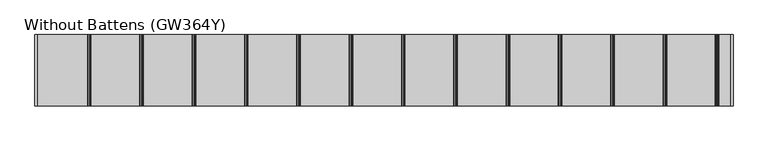
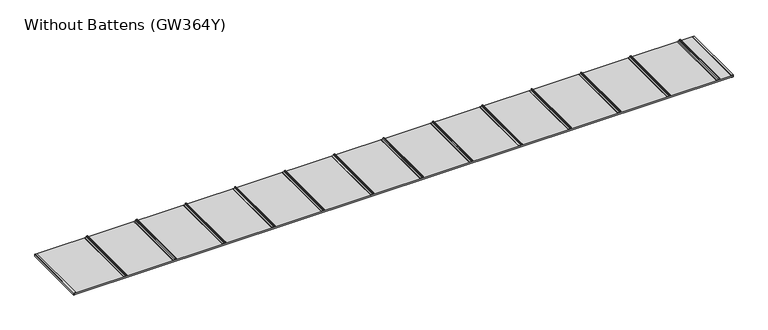
"""IFC4 building model written with IfcOpenShell, lengths in millimetres: proxy geometry, Without Battens (GW364Y)."""

from ifc_helpers import new_model, si_unit, point, frame, frame_2d, origin, origin_with_axes, place, context, project, spatial, polyline, circle_curve, trimmed, segment, composite_curve, outline, extrude, source, transform, mapped, element, save


def without_battens_gw364y_acbb2123(model_context):
    return source(origin(), model_context, "Body", "SweptSolid", [
        extrude(outline(composite_curve([segment(trimmed(circle_curve(frame_2d((22.9683907, 5873.75)), 6.25), [point((27.8614305, 5869.8614704))], [point((20.2402402, 5868.1268608))], False, "CARTESIAN"), True, "CONTINUOUS"), segment(trimmed(circle_curve(frame_2d((19.3468026, 5866.2853478)), 2.0468026), [point((20.2402402, 5868.1268608))], [point((17.3, 5866.2853478))], True, "CARTESIAN"), True, "CONTINUOUS"), segment(polyline([(17.3, 5866.2853478), (17.3, 5851.5)]), True, "CONTINUOUS"), segment(trimmed(circle_curve(frame_2d((15.8, 5851.5)), 1.5), [point((17.3, 5851.5))], [point((15.8, 5850.0))], False, "CARTESIAN"), True, "CONTINUOUS"), segment(polyline([(15.8, 5850.0), (15.0, 5850.0), (15.0, 5871.9783691)]), True, "CONTINUOUS"), segment(trimmed(circle_curve(frame_2d((24.084859, 5871.098018)), 9.1274138), [point((15.0, 5871.9783691))], [point((20.5433217, 5879.510342))], False, "CARTESIAN"), True, "CONTINUOUS"), segment(trimmed(circle_curve(frame_2d((22.9683907, 5873.75)), 6.25), [point((20.5433217, 5879.510342))], [point((27.8614305, 5877.6385296))], False, "CARTESIAN"), True, "CONTINUOUS"), segment(trimmed(circle_curve(frame_2d((27.2653483, 5877.1648193)), 0.7613904), [point((27.8614305, 5877.6385296))], [point((26.7916381, 5876.5687372))], False, "CARTESIAN"), True, "CONTINUOUS"), segment(trimmed(circle_curve(frame_2d((22.9683907, 5873.75)), 4.75), [point((26.7916381, 5876.5687372))], [point((26.7916381, 5870.9312628))], True, "CARTESIAN"), True, "CONTINUOUS"), segment(trimmed(circle_curve(frame_2d((27.2653483, 5870.3351807)), 0.7613904), [point((26.7916381, 5870.9312628))], [point((27.8614305, 5869.8614704))], False, "CARTESIAN"), True, "CONTINUOUS")], self_intersect=False)), frame((0.0, -615.0, 0.0), z_axis=(0.0, 1.0, 0.0), x_axis=(0.0, 0.0, 1.0)), (0.0, 0.0, 1.0), 615.0),
        extrude(outline(composite_curve([segment(trimmed(circle_curve(frame_2d((22.9683907, 5423.75)), 6.25), [point((27.8614305, 5419.8614704))], [point((20.2402402, 5418.1268608))], False, "CARTESIAN"), True, "CONTINUOUS"), segment(trimmed(circle_curve(frame_2d((19.3468026, 5416.2853478)), 2.0468026), [point((20.2402402, 5418.1268608))], [point((17.3, 5416.2853478))], True, "CARTESIAN"), True, "CONTINUOUS"), segment(polyline([(17.3, 5416.2853478), (17.3, 5401.5)]), True, "CONTINUOUS"), segment(trimmed(circle_curve(frame_2d((15.8, 5401.5)), 1.5), [point((17.3, 5401.5))], [point((15.8, 5400.0))], False, "CARTESIAN"), True, "CONTINUOUS"), segment(polyline([(15.8, 5400.0), (15.0, 5400.0), (15.0, 5421.9783691)]), True, "CONTINUOUS"), segment(trimmed(circle_curve(frame_2d((24.084859, 5421.098018)), 9.1274138), [point((15.0, 5421.9783691))], [point((20.5433217, 5429.510342))], False, "CARTESIAN"), True, "CONTINUOUS"), segment(trimmed(circle_curve(frame_2d((22.9683907, 5423.75)), 6.25), [point((20.5433217, 5429.510342))], [point((27.8614305, 5427.6385296))], False, "CARTESIAN"), True, "CONTINUOUS"), segment(trimmed(circle_curve(frame_2d((27.2653483, 5427.1648193)), 0.7613904), [point((27.8614305, 5427.6385296))], [point((26.7916381, 5426.5687372))], False, "CARTESIAN"), True, "CONTINUOUS"), segment(trimmed(circle_curve(frame_2d((22.9683907, 5423.75)), 4.75), [point((26.7916381, 5426.5687372))], [point((26.7916381, 5420.9312628))], True, "CARTESIAN"), True, "CONTINUOUS"), segment(trimmed(circle_curve(frame_2d((27.2653483, 5420.3351807)), 0.7613904), [point((26.7916381, 5420.9312628))], [point((27.8614305, 5419.8614704))], False, "CARTESIAN"), True, "CONTINUOUS")], self_intersect=False)), frame((0.0, -615.0, 0.0), z_axis=(0.0, 1.0, 0.0), x_axis=(0.0, 0.0, 1.0)), (0.0, 0.0, 1.0), 615.0),
        extrude(outline(composite_curve([segment(trimmed(circle_curve(frame_2d((22.9683907, 4973.75)), 6.25), [point((27.8614305, 4969.8614704))], [point((20.2402402, 4968.1268608))], False, "CARTESIAN"), True, "CONTINUOUS"), segment(trimmed(circle_curve(frame_2d((19.3468026, 4966.2853478)), 2.0468026), [point((20.2402402, 4968.1268608))], [point((17.3, 4966.2853478))], True, "CARTESIAN"), True, "CONTINUOUS"), segment(polyline([(17.3, 4966.2853478), (17.3, 4951.5)]), True, "CONTINUOUS"), segment(trimmed(circle_curve(frame_2d((15.8, 4951.5)), 1.5), [point((17.3, 4951.5))], [point((15.8, 4950.0))], False, "CARTESIAN"), True, "CONTINUOUS"), segment(polyline([(15.8, 4950.0), (15.0, 4950.0), (15.0, 4971.9783691)]), True, "CONTINUOUS"), segment(trimmed(circle_curve(frame_2d((24.084859, 4971.098018)), 9.1274138), [point((15.0, 4971.9783691))], [point((20.5433217, 4979.510342))], False, "CARTESIAN"), True, "CONTINUOUS"), segment(trimmed(circle_curve(frame_2d((22.9683907, 4973.75)), 6.25), [point((20.5433217, 4979.510342))], [point((27.8614305, 4977.6385296))], False, "CARTESIAN"), True, "CONTINUOUS"), segment(trimmed(circle_curve(frame_2d((27.2653483, 4977.1648193)), 0.7613904), [point((27.8614305, 4977.6385296))], [point((26.7916381, 4976.5687372))], False, "CARTESIAN"), True, "CONTINUOUS"), segment(trimmed(circle_curve(frame_2d((22.9683907, 4973.75)), 4.75), [point((26.7916381, 4976.5687372))], [point((26.7916381, 4970.9312628))], True, "CARTESIAN"), True, "CONTINUOUS"), segment(trimmed(circle_curve(frame_2d((27.2653483, 4970.3351807)), 0.7613904), [point((26.7916381, 4970.9312628))], [point((27.8614305, 4969.8614704))], False, "CARTESIAN"), True, "CONTINUOUS")], self_intersect=False)), frame((0.0, -615.0, 0.0), z_axis=(0.0, 1.0, 0.0), x_axis=(0.0, 0.0, 1.0)), (0.0, 0.0, 1.0), 615.0),
        extrude(outline(composite_curve([segment(trimmed(circle_curve(frame_2d((22.9683907, 4523.75)), 6.25), [point((27.8614305, 4519.8614704))], [point((20.2402402, 4518.1268608))], False, "CARTESIAN"), True, "CONTINUOUS"), segment(trimmed(circle_curve(frame_2d((19.3468026, 4516.2853478)), 2.0468026), [point((20.2402402, 4518.1268608))], [point((17.3, 4516.2853478))], True, "CARTESIAN"), True, "CONTINUOUS"), segment(polyline([(17.3, 4516.2853478), (17.3, 4501.5)]), True, "CONTINUOUS"), segment(trimmed(circle_curve(frame_2d((15.8, 4501.5)), 1.5), [point((17.3, 4501.5))], [point((15.8, 4500.0))], False, "CARTESIAN"), True, "CONTINUOUS"), segment(polyline([(15.8, 4500.0), (15.0, 4500.0), (15.0, 4521.9783691)]), True, "CONTINUOUS"), segment(trimmed(circle_curve(frame_2d((24.084859, 4521.098018)), 9.1274138), [point((15.0, 4521.9783691))], [point((20.5433217, 4529.510342))], False, "CARTESIAN"), True, "CONTINUOUS"), segment(trimmed(circle_curve(frame_2d((22.9683907, 4523.75)), 6.25), [point((20.5433217, 4529.510342))], [point((27.8614305, 4527.6385296))], False, "CARTESIAN"), True, "CONTINUOUS"), segment(trimmed(circle_curve(frame_2d((27.2653483, 4527.1648193)), 0.7613904), [point((27.8614305, 4527.6385296))], [point((26.7916381, 4526.5687372))], False, "CARTESIAN"), True, "CONTINUOUS"), segment(trimmed(circle_curve(frame_2d((22.9683907, 4523.75)), 4.75), [point((26.7916381, 4526.5687372))], [point((26.7916381, 4520.9312628))], True, "CARTESIAN"), True, "CONTINUOUS"), segment(trimmed(circle_curve(frame_2d((27.2653483, 4520.3351807)), 0.7613904), [point((26.7916381, 4520.9312628))], [point((27.8614305, 4519.8614704))], False, "CARTESIAN"), True, "CONTINUOUS")], self_intersect=False)), frame((0.0, -615.0, 0.0), z_axis=(0.0, 1.0, 0.0), x_axis=(0.0, 0.0, 1.0)), (0.0, 0.0, 1.0), 615.0),
        extrude(outline(composite_curve([segment(trimmed(circle_curve(frame_2d((22.9683907, 4073.75)), 6.25), [point((27.8614305, 4069.8614704))], [point((20.2402402, 4068.1268608))], False, "CARTESIAN"), True, "CONTINUOUS"), segment(trimmed(circle_curve(frame_2d((19.3468026, 4066.2853478)), 2.0468026), [point((20.2402402, 4068.1268608))], [point((17.3, 4066.2853478))], True, "CARTESIAN"), True, "CONTINUOUS"), segment(polyline([(17.3, 4066.2853478), (17.3, 4051.5)]), True, "CONTINUOUS"), segment(trimmed(circle_curve(frame_2d((15.8, 4051.5)), 1.5), [point((17.3, 4051.5))], [point((15.8, 4050.0))], False, "CARTESIAN"), True, "CONTINUOUS"), segment(polyline([(15.8, 4050.0), (15.0, 4050.0), (15.0, 4071.9783691)]), True, "CONTINUOUS"), segment(trimmed(circle_curve(frame_2d((24.084859, 4071.098018)), 9.1274138), [point((15.0, 4071.9783691))], [point((20.5433217, 4079.510342))], False, "CARTESIAN"), True, "CONTINUOUS"), segment(trimmed(circle_curve(frame_2d((22.9683907, 4073.75)), 6.25), [point((20.5433217, 4079.510342))], [point((27.8614305, 4077.6385296))], False, "CARTESIAN"), True, "CONTINUOUS"), segment(trimmed(circle_curve(frame_2d((27.2653483, 4077.1648193)), 0.7613904), [point((27.8614305, 4077.6385296))], [point((26.7916381, 4076.5687372))], False, "CARTESIAN"), True, "CONTINUOUS"), segment(trimmed(circle_curve(frame_2d((22.9683907, 4073.75)), 4.75), [point((26.7916381, 4076.5687372))], [point((26.7916381, 4070.9312628))], True, "CARTESIAN"), True, "CONTINUOUS"), segment(trimmed(circle_curve(frame_2d((27.2653483, 4070.3351807)), 0.7613904), [point((26.7916381, 4070.9312628))], [point((27.8614305, 4069.8614704))], False, "CARTESIAN"), True, "CONTINUOUS")], self_intersect=False)), frame((0.0, -615.0, 0.0), z_axis=(0.0, 1.0, 0.0), x_axis=(0.0, 0.0, 1.0)), (0.0, 0.0, 1.0), 615.0),
        extrude(outline(polyline([(6000.0, 0.0), (6000.0, -615.0), (0.0, -615.0), (0.0, 0.0), (6000.0, 0.0)])), origin_with_axes(), (0.0, 0.0, 1.0), 15.0),
        extrude(outline(composite_curve([segment(trimmed(circle_curve(frame_2d((22.9683907, 3623.75)), 6.25), [point((27.8614305, 3619.8614704))], [point((20.2402402, 3618.1268608))], False, "CARTESIAN"), True, "CONTINUOUS"), segment(trimmed(circle_curve(frame_2d((19.3468026, 3616.2853478)), 2.0468026), [point((20.2402402, 3618.1268608))], [point((17.3, 3616.2853478))], True, "CARTESIAN"), True, "CONTINUOUS"), segment(polyline([(17.3, 3616.2853478), (17.3, 3601.5)]), True, "CONTINUOUS"), segment(trimmed(circle_curve(frame_2d((15.8, 3601.5)), 1.5), [point((17.3, 3601.5))], [point((15.8, 3600.0))], False, "CARTESIAN"), True, "CONTINUOUS"), segment(polyline([(15.8, 3600.0), (15.0, 3600.0), (15.0, 3621.9783691)]), True, "CONTINUOUS"), segment(trimmed(circle_curve(frame_2d((24.084859, 3621.098018)), 9.1274138), [point((15.0, 3621.9783691))], [point((20.5433217, 3629.510342))], False, "CARTESIAN"), True, "CONTINUOUS"), segment(trimmed(circle_curve(frame_2d((22.9683907, 3623.75)), 6.25), [point((20.5433217, 3629.510342))], [point((27.8614305, 3627.6385296))], False, "CARTESIAN"), True, "CONTINUOUS"), segment(trimmed(circle_curve(frame_2d((27.2653483, 3627.1648193)), 0.7613904), [point((27.8614305, 3627.6385296))], [point((26.7916381, 3626.5687372))], False, "CARTESIAN"), True, "CONTINUOUS"), segment(trimmed(circle_curve(frame_2d((22.9683907, 3623.75)), 4.75), [point((26.7916381, 3626.5687372))], [point((26.7916381, 3620.9312628))], True, "CARTESIAN"), True, "CONTINUOUS"), segment(trimmed(circle_curve(frame_2d((27.2653483, 3620.3351807)), 0.7613904), [point((26.7916381, 3620.9312628))], [point((27.8614305, 3619.8614704))], False, "CARTESIAN"), True, "CONTINUOUS")], self_intersect=False)), frame((0.0, -615.0, 0.0), z_axis=(0.0, 1.0, 0.0), x_axis=(0.0, 0.0, 1.0)), (0.0, 0.0, 1.0), 615.0),
        extrude(outline(composite_curve([segment(trimmed(circle_curve(frame_2d((22.9683907, 3173.75)), 6.25), [point((27.8614305, 3169.8614704))], [point((20.2402402, 3168.1268608))], False, "CARTESIAN"), True, "CONTINUOUS"), segment(trimmed(circle_curve(frame_2d((19.3468026, 3166.2853478)), 2.0468026), [point((20.2402402, 3168.1268608))], [point((17.3, 3166.2853478))], True, "CARTESIAN"), True, "CONTINUOUS"), segment(polyline([(17.3, 3166.2853478), (17.3, 3151.5)]), True, "CONTINUOUS"), segment(trimmed(circle_curve(frame_2d((15.8, 3151.5)), 1.5), [point((17.3, 3151.5))], [point((15.8, 3150.0))], False, "CARTESIAN"), True, "CONTINUOUS"), segment(polyline([(15.8, 3150.0), (15.0, 3150.0), (15.0, 3171.9783691)]), True, "CONTINUOUS"), segment(trimmed(circle_curve(frame_2d((24.084859, 3171.098018)), 9.1274138), [point((15.0, 3171.9783691))], [point((20.5433217, 3179.510342))], False, "CARTESIAN"), True, "CONTINUOUS"), segment(trimmed(circle_curve(frame_2d((22.9683907, 3173.75)), 6.25), [point((20.5433217, 3179.510342))], [point((27.8614305, 3177.6385296))], False, "CARTESIAN"), True, "CONTINUOUS"), segment(trimmed(circle_curve(frame_2d((27.2653483, 3177.1648193)), 0.7613904), [point((27.8614305, 3177.6385296))], [point((26.7916381, 3176.5687372))], False, "CARTESIAN"), True, "CONTINUOUS"), segment(trimmed(circle_curve(frame_2d((22.9683907, 3173.75)), 4.75), [point((26.7916381, 3176.5687372))], [point((26.7916381, 3170.9312628))], True, "CARTESIAN"), True, "CONTINUOUS"), segment(trimmed(circle_curve(frame_2d((27.2653483, 3170.3351807)), 0.7613904), [point((26.7916381, 3170.9312628))], [point((27.8614305, 3169.8614704))], False, "CARTESIAN"), True, "CONTINUOUS")], self_intersect=False)), frame((0.0, -615.0, 0.0), z_axis=(0.0, 1.0, 0.0), x_axis=(0.0, 0.0, 1.0)), (0.0, 0.0, 1.0), 615.0),
        extrude(outline(composite_curve([segment(trimmed(circle_curve(frame_2d((22.9683907, 2723.75)), 6.25), [point((27.8614305, 2719.8614704))], [point((20.2402402, 2718.1268608))], False, "CARTESIAN"), True, "CONTINUOUS"), segment(trimmed(circle_curve(frame_2d((19.3468026, 2716.2853478)), 2.0468026), [point((20.2402402, 2718.1268608))], [point((17.3, 2716.2853478))], True, "CARTESIAN"), True, "CONTINUOUS"), segment(polyline([(17.3, 2716.2853478), (17.3, 2701.5)]), True, "CONTINUOUS"), segment(trimmed(circle_curve(frame_2d((15.8, 2701.5)), 1.5), [point((17.3, 2701.5))], [point((15.8, 2700.0))], False, "CARTESIAN"), True, "CONTINUOUS"), segment(polyline([(15.8, 2700.0), (15.0, 2700.0), (15.0, 2721.9783691)]), True, "CONTINUOUS"), segment(trimmed(circle_curve(frame_2d((24.084859, 2721.098018)), 9.1274138), [point((15.0, 2721.9783691))], [point((20.5433217, 2729.510342))], False, "CARTESIAN"), True, "CONTINUOUS"), segment(trimmed(circle_curve(frame_2d((22.9683907, 2723.75)), 6.25), [point((20.5433217, 2729.510342))], [point((27.8614305, 2727.6385296))], False, "CARTESIAN"), True, "CONTINUOUS"), segment(trimmed(circle_curve(frame_2d((27.2653483, 2727.1648193)), 0.7613904), [point((27.8614305, 2727.6385296))], [point((26.7916381, 2726.5687372))], False, "CARTESIAN"), True, "CONTINUOUS"), segment(trimmed(circle_curve(frame_2d((22.9683907, 2723.75)), 4.75), [point((26.7916381, 2726.5687372))], [point((26.7916381, 2720.9312628))], True, "CARTESIAN"), True, "CONTINUOUS"), segment(trimmed(circle_curve(frame_2d((27.2653483, 2720.3351807)), 0.7613904), [point((26.7916381, 2720.9312628))], [point((27.8614305, 2719.8614704))], False, "CARTESIAN"), True, "CONTINUOUS")], self_intersect=False)), frame((0.0, -615.0, 0.0), z_axis=(0.0, 1.0, 0.0), x_axis=(0.0, 0.0, 1.0)), (0.0, 0.0, 1.0), 615.0),
        extrude(outline(composite_curve([segment(trimmed(circle_curve(frame_2d((22.9683907, 2273.75)), 6.25), [point((27.8614305, 2269.8614704))], [point((20.2402402, 2268.1268608))], False, "CARTESIAN"), True, "CONTINUOUS"), segment(trimmed(circle_curve(frame_2d((19.3468026, 2266.2853478)), 2.0468026), [point((20.2402402, 2268.1268608))], [point((17.3, 2266.2853478))], True, "CARTESIAN"), True, "CONTINUOUS"), segment(polyline([(17.3, 2266.2853478), (17.3, 2251.5)]), True, "CONTINUOUS"), segment(trimmed(circle_curve(frame_2d((15.8, 2251.5)), 1.5), [point((17.3, 2251.5))], [point((15.8, 2250.0))], False, "CARTESIAN"), True, "CONTINUOUS"), segment(polyline([(15.8, 2250.0), (15.0, 2250.0), (15.0, 2271.9783691)]), True, "CONTINUOUS"), segment(trimmed(circle_curve(frame_2d((24.084859, 2271.098018)), 9.1274138), [point((15.0, 2271.9783691))], [point((20.5433217, 2279.510342))], False, "CARTESIAN"), True, "CONTINUOUS"), segment(trimmed(circle_curve(frame_2d((22.9683907, 2273.75)), 6.25), [point((20.5433217, 2279.510342))], [point((27.8614305, 2277.6385296))], False, "CARTESIAN"), True, "CONTINUOUS"), segment(trimmed(circle_curve(frame_2d((27.2653483, 2277.1648193)), 0.7613904), [point((27.8614305, 2277.6385296))], [point((26.7916381, 2276.5687372))], False, "CARTESIAN"), True, "CONTINUOUS"), segment(trimmed(circle_curve(frame_2d((22.9683907, 2273.75)), 4.75), [point((26.7916381, 2276.5687372))], [point((26.7916381, 2270.9312628))], True, "CARTESIAN"), True, "CONTINUOUS"), segment(trimmed(circle_curve(frame_2d((27.2653483, 2270.3351807)), 0.7613904), [point((26.7916381, 2270.9312628))], [point((27.8614305, 2269.8614704))], False, "CARTESIAN"), True, "CONTINUOUS")], self_intersect=False)), frame((0.0, -615.0, 0.0), z_axis=(0.0, 1.0, 0.0), x_axis=(0.0, 0.0, 1.0)), (0.0, 0.0, 1.0), 615.0),
        extrude(outline(composite_curve([segment(trimmed(circle_curve(frame_2d((22.9683907, 1823.75)), 6.25), [point((27.8614305, 1819.8614704))], [point((20.2402402, 1818.1268608))], False, "CARTESIAN"), True, "CONTINUOUS"), segment(trimmed(circle_curve(frame_2d((19.3468026, 1816.2853478)), 2.0468026), [point((20.2402402, 1818.1268608))], [point((17.3, 1816.2853478))], True, "CARTESIAN"), True, "CONTINUOUS"), segment(polyline([(17.3, 1816.2853478), (17.3, 1801.5)]), True, "CONTINUOUS"), segment(trimmed(circle_curve(frame_2d((15.8, 1801.5)), 1.5), [point((17.3, 1801.5))], [point((15.8, 1800.0))], False, "CARTESIAN"), True, "CONTINUOUS"), segment(polyline([(15.8, 1800.0), (15.0, 1800.0), (15.0, 1821.9783691)]), True, "CONTINUOUS"), segment(trimmed(circle_curve(frame_2d((24.084859, 1821.098018)), 9.1274138), [point((15.0, 1821.9783691))], [point((20.5433217, 1829.510342))], False, "CARTESIAN"), True, "CONTINUOUS"), segment(trimmed(circle_curve(frame_2d((22.9683907, 1823.75)), 6.25), [point((20.5433217, 1829.510342))], [point((27.8614305, 1827.6385296))], False, "CARTESIAN"), True, "CONTINUOUS"), segment(trimmed(circle_curve(frame_2d((27.2653483, 1827.1648193)), 0.7613904), [point((27.8614305, 1827.6385296))], [point((26.7916381, 1826.5687372))], False, "CARTESIAN"), True, "CONTINUOUS"), segment(trimmed(circle_curve(frame_2d((22.9683907, 1823.75)), 4.75), [point((26.7916381, 1826.5687372))], [point((26.7916381, 1820.9312628))], True, "CARTESIAN"), True, "CONTINUOUS"), segment(trimmed(circle_curve(frame_2d((27.2653483, 1820.3351807)), 0.7613904), [point((26.7916381, 1820.9312628))], [point((27.8614305, 1819.8614704))], False, "CARTESIAN"), True, "CONTINUOUS")], self_intersect=False)), frame((0.0, -615.0, 0.0), z_axis=(0.0, 1.0, 0.0), x_axis=(0.0, 0.0, 1.0)), (0.0, 0.0, 1.0), 615.0),
        extrude(outline(composite_curve([segment(trimmed(circle_curve(frame_2d((22.9683907, 1373.75)), 6.25), [point((27.8614305, 1369.8614704))], [point((20.2402402, 1368.1268608))], False, "CARTESIAN"), True, "CONTINUOUS"), segment(trimmed(circle_curve(frame_2d((19.3468026, 1366.2853478)), 2.0468026), [point((20.2402402, 1368.1268608))], [point((17.3, 1366.2853478))], True, "CARTESIAN"), True, "CONTINUOUS"), segment(polyline([(17.3, 1366.2853478), (17.3, 1351.5)]), True, "CONTINUOUS"), segment(trimmed(circle_curve(frame_2d((15.8, 1351.5)), 1.5), [point((17.3, 1351.5))], [point((15.8, 1350.0))], False, "CARTESIAN"), True, "CONTINUOUS"), segment(polyline([(15.8, 1350.0), (15.0, 1350.0), (15.0, 1371.9783691)]), True, "CONTINUOUS"), segment(trimmed(circle_curve(frame_2d((24.084859, 1371.098018)), 9.1274138), [point((15.0, 1371.9783691))], [point((20.5433217, 1379.510342))], False, "CARTESIAN"), True, "CONTINUOUS"), segment(trimmed(circle_curve(frame_2d((22.9683907, 1373.75)), 6.25), [point((20.5433217, 1379.510342))], [point((27.8614305, 1377.6385296))], False, "CARTESIAN"), True, "CONTINUOUS"), segment(trimmed(circle_curve(frame_2d((27.2653483, 1377.1648193)), 0.7613904), [point((27.8614305, 1377.6385296))], [point((26.7916381, 1376.5687372))], False, "CARTESIAN"), True, "CONTINUOUS"), segment(trimmed(circle_curve(frame_2d((22.9683907, 1373.75)), 4.75), [point((26.7916381, 1376.5687372))], [point((26.7916381, 1370.9312628))], True, "CARTESIAN"), True, "CONTINUOUS"), segment(trimmed(circle_curve(frame_2d((27.2653483, 1370.3351807)), 0.7613904), [point((26.7916381, 1370.9312628))], [point((27.8614305, 1369.8614704))], False, "CARTESIAN"), True, "CONTINUOUS")], self_intersect=False)), frame((0.0, -615.0, 0.0), z_axis=(0.0, 1.0, 0.0), x_axis=(0.0, 0.0, 1.0)), (0.0, 0.0, 1.0), 615.0),
        extrude(outline(polyline([(17.0, 5983.0), (15.0, 5983.0), (15.0, 6000.0), (0.0, 6000.0), (0.0, 5983.0), (-2.0, 5983.0), (-2.0, 6002.0), (17.0, 6002.0), (17.0, 5983.0)])), frame((0.0, -615.0, 0.0), z_axis=(0.0, 1.0, 0.0), x_axis=(0.0, 0.0, 1.0)), (0.0, 0.0, 1.0), 615.0),
        extrude(outline(polyline([(-2.0, 17.0), (0.0, 17.0), (0.0, 0.0), (15.0, 0.0), (15.0, 17.0), (17.0, 17.0), (17.0, -2.0), (-2.0, -2.0), (-2.0, 17.0)])), frame((0.0, -615.0, 0.0), z_axis=(0.0, 1.0, 0.0), x_axis=(0.0, 0.0, 1.0)), (0.0, 0.0, 1.0), 615.0),
        extrude(outline(composite_curve([segment(trimmed(circle_curve(frame_2d((22.9683907, 923.75)), 6.25), [point((27.8614305, 919.8614704))], [point((20.2402402, 918.1268608))], False, "CARTESIAN"), True, "CONTINUOUS"), segment(trimmed(circle_curve(frame_2d((19.3468026, 916.2853478)), 2.0468026), [point((20.2402402, 918.1268608))], [point((17.3, 916.2853478))], True, "CARTESIAN"), True, "CONTINUOUS"), segment(polyline([(17.3, 916.2853478), (17.3, 901.5)]), True, "CONTINUOUS"), segment(trimmed(circle_curve(frame_2d((15.8, 901.5)), 1.5), [point((17.3, 901.5))], [point((15.8, 900.0))], False, "CARTESIAN"), True, "CONTINUOUS"), segment(polyline([(15.8, 900.0), (15.0, 900.0), (15.0, 921.9783691)]), True, "CONTINUOUS"), segment(trimmed(circle_curve(frame_2d((24.084859, 921.098018)), 9.1274138), [point((15.0, 921.9783691))], [point((20.5433217, 929.510342))], False, "CARTESIAN"), True, "CONTINUOUS"), segment(trimmed(circle_curve(frame_2d((22.9683907, 923.75)), 6.25), [point((20.5433217, 929.510342))], [point((27.8614305, 927.6385296))], False, "CARTESIAN"), True, "CONTINUOUS"), segment(trimmed(circle_curve(frame_2d((27.2653483, 927.1648193)), 0.7613904), [point((27.8614305, 927.6385296))], [point((26.7916381, 926.5687372))], False, "CARTESIAN"), True, "CONTINUOUS"), segment(trimmed(circle_curve(frame_2d((22.9683907, 923.75)), 4.75), [point((26.7916381, 926.5687372))], [point((26.7916381, 920.9312628))], True, "CARTESIAN"), True, "CONTINUOUS"), segment(trimmed(circle_curve(frame_2d((27.2653483, 920.3351807)), 0.7613904), [point((26.7916381, 920.9312628))], [point((27.8614305, 919.8614704))], False, "CARTESIAN"), True, "CONTINUOUS")], self_intersect=False)), frame((0.0, -615.0, 0.0), z_axis=(0.0, 1.0, 0.0), x_axis=(0.0, 0.0, 1.0)), (0.0, 0.0, 1.0), 615.0),
        extrude(outline(composite_curve([segment(trimmed(circle_curve(frame_2d((22.9683907, 473.75)), 6.25), [point((27.8614305, 469.8614704))], [point((20.2402402, 468.1268608))], False, "CARTESIAN"), True, "CONTINUOUS"), segment(trimmed(circle_curve(frame_2d((19.3468026, 466.2853478)), 2.0468026), [point((20.2402402, 468.1268608))], [point((17.3, 466.2853478))], True, "CARTESIAN"), True, "CONTINUOUS"), segment(polyline([(17.3, 466.2853478), (17.3, 451.5)]), True, "CONTINUOUS"), segment(trimmed(circle_curve(frame_2d((15.8, 451.5)), 1.5), [point((17.3, 451.5))], [point((15.8, 450.0))], False, "CARTESIAN"), True, "CONTINUOUS"), segment(polyline([(15.8, 450.0), (15.0, 450.0), (15.0, 471.9783691)]), True, "CONTINUOUS"), segment(trimmed(circle_curve(frame_2d((24.084859, 471.098018)), 9.1274138), [point((15.0, 471.9783691))], [point((20.5433217, 479.510342))], False, "CARTESIAN"), True, "CONTINUOUS"), segment(trimmed(circle_curve(frame_2d((22.9683907, 473.75)), 6.25), [point((20.5433217, 479.510342))], [point((27.8614305, 477.6385296))], False, "CARTESIAN"), True, "CONTINUOUS"), segment(trimmed(circle_curve(frame_2d((27.2653483, 477.1648193)), 0.7613904), [point((27.8614305, 477.6385296))], [point((26.7916381, 476.5687372))], False, "CARTESIAN"), True, "CONTINUOUS"), segment(trimmed(circle_curve(frame_2d((22.9683907, 473.75)), 4.75), [point((26.7916381, 476.5687372))], [point((26.7916381, 470.9312628))], True, "CARTESIAN"), True, "CONTINUOUS"), segment(trimmed(circle_curve(frame_2d((27.2653483, 470.3351807)), 0.7613904), [point((26.7916381, 470.9312628))], [point((27.8614305, 469.8614704))], False, "CARTESIAN"), True, "CONTINUOUS")], self_intersect=False)), frame((0.0, -615.0, 0.0), z_axis=(0.0, 1.0, 0.0), x_axis=(0.0, 0.0, 1.0)), (0.0, 0.0, 1.0), 615.0),
    ])


if __name__ == "__main__":
    model = new_model("IFC4")
    model_context = context("Model", 3, world=origin())
    ifc_project = project(units=[si_unit("LENGTHUNIT", "METRE", prefix="MILLI")], contexts=[model_context])
    site = spatial("IfcSite", under=ifc_project)
    building = spatial("IfcBuilding", under=site)
    placement = place(None, origin())
    without_battens_gw364y_shape = without_battens_gw364y_acbb2123(model_context)
    element("IfcBuildingElementProxy", 1, Name="Without Battens (GW364Y)", ObjectType="Without Battens (GW364Y)", at=placement, inside=building, context=model_context, shape_type="MappedRepresentation", body=[
        mapped(without_battens_gw364y_shape, transform((0.0, 0.0, 0.0), x_axis=(1.0, 0.0, 0.0), y_axis=(0.0, 1.0, 0.0), z_axis=(0.0, 0.0, 1.0))),
    ])
    save(model, "model.ifc")
